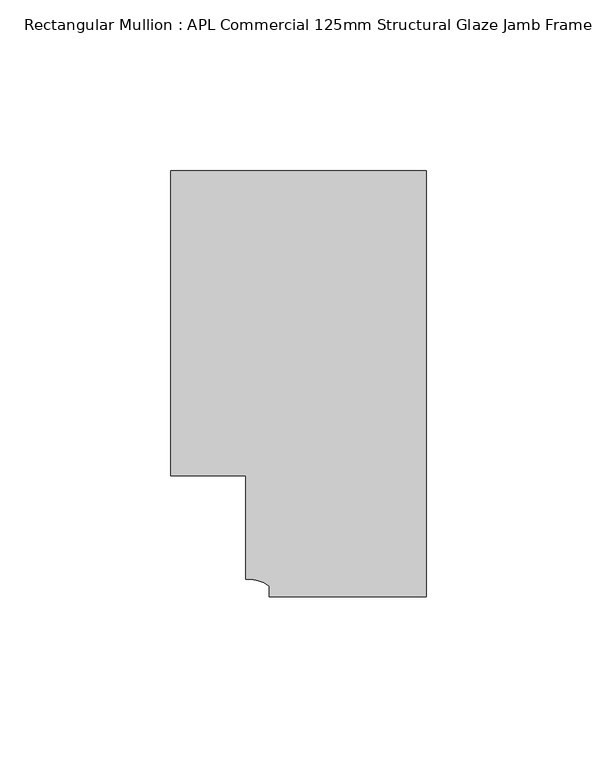
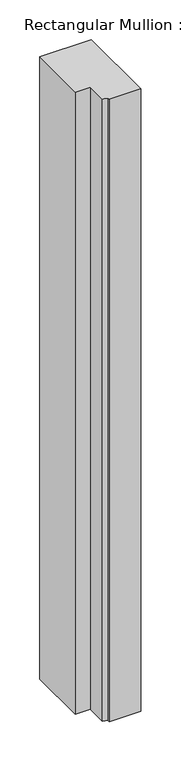
"""IFC4 building model written with IfcOpenShell, lengths in millimetres: member geometry, Rectangular Mullion : APL Commercial 125mm Structural Glaze Jamb Frame (left)."""

from ifc_helpers import new_model, si_unit, point, frame, frame_2d, origin, place, context, project, spatial, polyline, circle_curve, trimmed, segment, composite_curve, outline, extrude, source, transform, mapped, element, save


def rectangular_mullion_apl_commercial_125mm_structural_glaze_625de656(model_context):
    return source(origin(), model_context, "Body", "SweptSolid", [
        extrude(outline(composite_curve([segment(polyline([(0.0, -20.5), (-45.9999842, -20.5), (-45.9999842, -17.3125325)]), True, "CONTINUOUS"), segment(trimmed(circle_curve(frame_2d((-52.1098019, -25.7981812)), 10.4563907), [point((-45.9999842, -17.3125325))], [point((-52.9999391, -15.3797475))], True, "CARTESIAN"), True, "CONTINUOUS"), segment(polyline([(-52.9999391, -15.3797475), (-52.9999391, 15.0000829), (-75.0, 15.0000829), (-75.0, 104.5), (0.0, 104.5), (0.0, -20.5)]), True, "CONTINUOUS")], self_intersect=False)), frame((0.0, 0.0, -956.846945), z_axis=(0.0, 0.0, 1.0), x_axis=(1.0, 0.0, 0.0)), (0.0, 0.0, 1.0), 956.846945),
    ])


if __name__ == "__main__":
    model = new_model("IFC4")
    model_context = context("Model", 3, world=origin())
    ifc_project = project(units=[si_unit("LENGTHUNIT", "METRE", prefix="MILLI")], contexts=[model_context])
    site = spatial("IfcSite", under=ifc_project)
    building = spatial("IfcBuilding", under=site)
    placement = place(None, origin())
    rectangular_mullion_apl_commercial_125mm_structural_glaze_shape = rectangular_mullion_apl_commercial_125mm_structural_glaze_625de656(model_context)
    element("IfcMember", 1, ObjectType="Rectangular Mullion : APL Commercial 125mm Structural Glaze Jamb Frame (left)", at=placement, inside=building, context=model_context, shape_type="MappedRepresentation", body=[
        mapped(rectangular_mullion_apl_commercial_125mm_structural_glaze_shape, transform((0.0, 0.0, 0.0), x_axis=(1.0, 0.0, 0.0), y_axis=(0.0, 1.0, 0.0), z_axis=(0.0, 0.0, 1.0))),
    ])
    save(model, "model.ifc")
